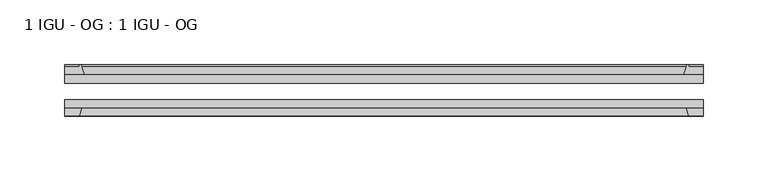
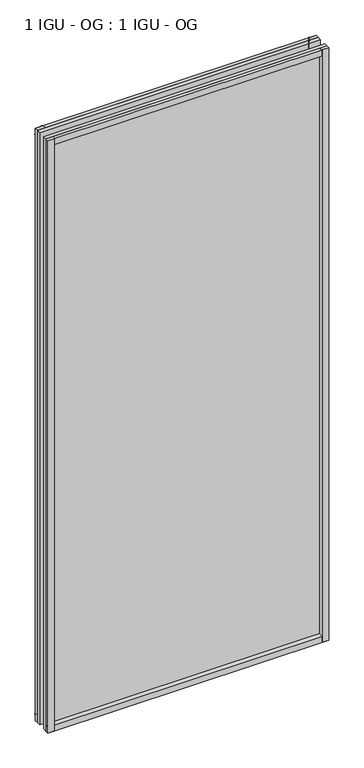
"""IFC4 building model written with IfcOpenShell, lengths in millimetres: plate geometry, 1 IGU - OG : 1 IGU - OG."""

import ifcopenshell
import ifcopenshell.guid

model = None  # the IFC model being written
_history = None  # IfcOwnerHistory: only IFC2X3 demands one
_inside = {}  # id of a spatial element -> (the spatial element, [elements in it])
_under = {}  # id of a project, library or spatial element -> (it, [spatial elements below it])
_declared = {}  # id of a project -> (the project, [libraries it declares])
_typed = {}  # id of a type object -> (the type object, [elements of that type])
_made_of = {}  # id of a material, layer set ... -> (it, [elements and type objects made of it])


def new_model(schema):
    """Start an empty IFC model of exactly this schema.

    Asked for "IFC4X3", IfcOpenShell would pick the latest addendum, in which some entities
    have other attributes; the version numbers below select the first issue.
    IFC2X3 requires an IfcOwnerHistory on every rooted entity: one is made here for all.
    """
    global model, _history
    if schema == "IFC4X3":
        model = ifcopenshell.file(schema_version=(4, 3, 0, 0))
    else:
        model = ifcopenshell.file(schema=schema)
    _inside.clear()
    _under.clear()
    _declared.clear()
    _typed.clear()
    _made_of.clear()
    _history = None
    if model.schema == "IFC2X3":
        org = make("IfcOrganization", Name="unknown")
        user = make(
            "IfcPersonAndOrganization",
            ThePerson=make("IfcPerson", FamilyName="unknown"),
            TheOrganization=org,
        )
        app = make(
            "IfcApplication",
            ApplicationDeveloper=org,
            Version="unknown",
            ApplicationFullName="unknown",
            ApplicationIdentifier="unknown",
        )
        _history = make(
            "IfcOwnerHistory",
            OwningUser=user,
            OwningApplication=app,
            ChangeAction="ADDED",
            CreationDate=0,
        )
    return model


def make(cls, **values):
    """One entity of the class cls with the attributes given. An attribute that is None is left unset."""
    return model.create_entity(
        cls, **{name: value for name, value in values.items() if value is not None}
    )


def rooted(cls, **values):
    """An entity with a GlobalId (a new one), such as an element, a storey or a relation."""
    return make(cls, GlobalId=ifcopenshell.guid.new(), OwnerHistory=_history, **values)


def si_unit(unit_type, name, prefix=None):
    """IfcSIUnit, for example si_unit("LENGTHUNIT", "METRE", prefix="MILLI")."""
    return make("IfcSIUnit", UnitType=unit_type, Prefix=prefix, Name=name)


def assignment(units):
    """IfcUnitAssignment: the units of a project."""
    return None if units is None else make("IfcUnitAssignment", Units=units)


def point(xyz):
    """IfcCartesianPoint."""
    return None if xyz is None else make("IfcCartesianPoint", Coordinates=xyz)


def direction(xyz):
    """IfcDirection."""
    return None if xyz is None else make("IfcDirection", DirectionRatios=xyz)


def frame(location, z_axis=None, x_axis=None):
    """IfcAxis2Placement3D, a coordinate frame: its origin and axes. An axis left out is left unset."""
    return make(
        "IfcAxis2Placement3D",
        Location=point(location),
        Axis=direction(z_axis),
        RefDirection=direction(x_axis),
    )


def frame_2d(location, x_axis=None):
    """IfcAxis2Placement2D, a coordinate frame in the plane: its origin and x axis."""
    return make(
        "IfcAxis2Placement2D", Location=point(location), RefDirection=direction(x_axis)
    )


def origin():
    """The frame at (0, 0, 0) with its axes left unset."""
    return frame((0.0, 0.0, 0.0))


def place(relative_to, where):
    """IfcLocalPlacement: puts the frame where relative to a parent placement (None: the world)."""
    return make(
        "IfcLocalPlacement", PlacementRelTo=relative_to, RelativePlacement=where
    )


def context(
    kind, dimensions, precision=None, world=None, true_north=None, identifier=None
):
    """IfcGeometricRepresentationContext, for example the 3D "Model" context."""
    return make(
        "IfcGeometricRepresentationContext",
        ContextIdentifier=identifier,
        ContextType=kind,
        CoordinateSpaceDimension=dimensions,
        Precision=precision,
        WorldCoordinateSystem=world,
        TrueNorth=true_north,
    )


def project(units=None, contexts=None):
    """IfcProject with its units and contexts."""
    return rooted(
        "IfcProject",
        Name="project",
        RepresentationContexts=contexts,
        UnitsInContext=assignment(units),
    )


def spatial(cls, under=None, at=None, **own):
    """A site, building, storey or space (cls), placed at a placement, below another one or the project."""
    s = rooted(cls, ObjectPlacement=at, **own)
    if under is not None:
        _under.setdefault(under.id(), (under, []))[1].append(s)
    return s


def polyline(points):
    """IfcPolyline through the points."""
    return make("IfcPolyline", Points=[point(p) for p in points])


def circle_curve(where, radius):
    """IfcCircle in the frame where."""
    return make("IfcCircle", Position=where, Radius=radius)


def trimmed(basis, trim1, trim2, sense, master):
    """IfcTrimmedCurve: the piece of a basis curve between two trims."""
    return make(
        "IfcTrimmedCurve",
        BasisCurve=basis,
        Trim1=trim1,
        Trim2=trim2,
        SenseAgreement=sense,
        MasterRepresentation=master,
    )


def segment(curve, same_sense, transition):
    """IfcCompositeCurveSegment."""
    return make(
        "IfcCompositeCurveSegment",
        Transition=transition,
        SameSense=same_sense,
        ParentCurve=curve,
    )


def composite_curve(segments, self_intersect=None):
    """IfcCompositeCurve: segments joined end to end."""
    return make("IfcCompositeCurve", Segments=segments, SelfIntersect=self_intersect)


def outline(outer, holes=None, kind="AREA"):
    """IfcArbitraryClosedProfileDef: a profile drawn as a closed curve; with holes, ...WithVoids."""
    if holes is None:
        return make("IfcArbitraryClosedProfileDef", ProfileType=kind, OuterCurve=outer)
    return make(
        "IfcArbitraryProfileDefWithVoids",
        ProfileType=kind,
        OuterCurve=outer,
        InnerCurves=holes,
    )


def extrude(swept, where, along, depth):
    """IfcExtrudedAreaSolid: the profile swept, set in the frame where, extruded along a direction by depth."""
    return make(
        "IfcExtrudedAreaSolid",
        SweptArea=swept,
        Position=where,
        ExtrudedDirection=direction(along),
        Depth=depth,
    )


def shape(context_of_items, identifier, shape_type, items):
    """IfcShapeRepresentation: the items that make up one representation, for example the "Body"."""
    return make(
        "IfcShapeRepresentation",
        ContextOfItems=context_of_items,
        RepresentationIdentifier=identifier,
        RepresentationType=shape_type,
        Items=items,
    )


def source(mapping_origin, context_of_items, identifier, shape_type, items):
    """IfcRepresentationMap: a shape defined once, which mapped items show again and again."""
    return make(
        "IfcRepresentationMap",
        MappingOrigin=mapping_origin,
        MappedRepresentation=shape(context_of_items, identifier, shape_type, items),
    )


def transform(
    local_origin,
    x_axis=None,
    y_axis=None,
    z_axis=None,
    scale=None,
    scale2=None,
    scale3=None,
    uniform=True,
):
    """IfcCartesianTransformationOperator3D, or its non-uniform kind. x_axis, y_axis, z_axis: its Axis1, 2, 3."""
    if uniform:
        return make(
            "IfcCartesianTransformationOperator3D",
            Axis1=direction(x_axis),
            Axis2=direction(y_axis),
            LocalOrigin=point(local_origin),
            Scale=scale,
            Axis3=direction(z_axis),
        )
    return make(
        "IfcCartesianTransformationOperator3DnonUniform",
        Axis1=direction(x_axis),
        Axis2=direction(y_axis),
        LocalOrigin=point(local_origin),
        Scale=scale,
        Axis3=direction(z_axis),
        Scale2=scale2,
        Scale3=scale3,
    )


def mapped(mapping_source, mapping_target):
    """IfcMappedItem: shows the shape of a source again, moved by a transform."""
    return make(
        "IfcMappedItem", MappingSource=mapping_source, MappingTarget=mapping_target
    )


def made_of(thing, what):
    """Note that an element or type object is made of a material, layer set ...; save() writes the relation."""
    if what is not None:
        _made_of.setdefault(what.id(), (what, []))[1].append(thing)
    return thing


def element(
    cls,
    number,
    at=None,
    inside=None,
    cuts=None,
    type_object=None,
    material=None,
    context=None,
    identifier="Body",
    shape_type=None,
    held_by="IfcProductDefinitionShape",
    body=None,
    shapes=None,
    **own,
):
    """One element of the class cls, such as IfcWall. Its Tag is "e" and its number.

    at: its placement. inside: the storey or other place that contains it. cuts: it is an
    opening in that element (IfcRelVoidsElement). A single representation is given by context,
    identifier, shape_type and body (its items); several are given by shapes. held_by: the class
    of the entity that holds the representations. save() writes the other relations.
    """
    e = rooted(cls, Tag="e%d" % number, ObjectPlacement=at, **own)
    if body is not None:
        shapes = [shape(context, identifier, shape_type, body)]
    if shapes is not None:
        e.Representation = make(held_by, Representations=shapes)
    if inside is not None:
        _inside.setdefault(inside.id(), (inside, []))[1].append(e)
    if cuts is not None:
        rooted(
            "IfcRelVoidsElement", RelatingBuildingElement=cuts, RelatedOpeningElement=e
        )
    if type_object is not None:
        _typed.setdefault(type_object.id(), (type_object, []))[1].append(e)
    return made_of(e, material)


def aggregate(whole, parts):
    """IfcRelAggregates: a whole, such as a stair, and the parts it consists of."""
    return rooted("IfcRelAggregates", RelatingObject=whole, RelatedObjects=parts)


def save(model, path):
    """Write the relations noted so far, then the file.

    IfcRelAggregates (storeys below a building ...), IfcRelContainedInSpatialStructure (elements
    in a storey), IfcRelDefinesByType, IfcRelAssociatesMaterial and IfcRelDeclares: one each for
    every whole, place, type object, material and project.
    """
    for whole, parts in _under.values():
        aggregate(whole, parts)
    for where, things in _inside.values():
        rooted(
            "IfcRelContainedInSpatialStructure",
            RelatedElements=things,
            RelatingStructure=where,
        )
    for kind, things in _typed.values():
        rooted("IfcRelDefinesByType", RelatedObjects=things, RelatingType=kind)
    for what, things in _made_of.values():
        rooted("IfcRelAssociatesMaterial", RelatedObjects=things, RelatingMaterial=what)
    for by, libraries in _declared.values():
        rooted("IfcRelDeclares", RelatingContext=by, RelatedDefinitions=libraries)
    model.write(path)


def plate_1_igu_og_1_igu_og_287f5471(model_context):
    return source(origin(), model_context, "Body", "SweptSolid", [
        extrude(outline(polyline([(247.0275142, -31.75), (247.0275142, -38.1), (-247.0275142, -38.1), (-247.0275142, -31.75), (247.0275142, -31.75)])), frame((0.0, 0.0, -11.1125), z_axis=(0.0, 0.0, 1.0), x_axis=(1.0, 0.0, 0.0)), (0.0, 0.0, 1.0), 1101.725),
        extrude(outline(polyline([(-247.0275142, -12.7), (247.0275142, -12.7), (247.0275142, -19.05), (-247.0275142, -19.05), (-247.0275142, -12.7)])), frame((0.0, 0.0, -11.1125), z_axis=(0.0, 0.0, 1.0), x_axis=(1.0, 0.0, 0.0)), (0.0, 0.0, 1.0), 1101.725),
        extrude(outline(composite_curve([segment(polyline([(-231.6917233, -12.7), (-247.0275142, -12.7), (-247.0275142, -6.35), (-235.9150142, -6.35), (-235.9150142, -4.7751661), (-234.9856002, -4.7751661)]), True, "CONTINUOUS"), segment(trimmed(circle_curve(frame_2d((-234.9856002, -5.5371661)), 0.762), [point((-234.9856002, -4.7751661))], [point((-234.2433903, -5.364631))], False, "CARTESIAN"), True, "CONTINUOUS"), segment(trimmed(circle_curve(frame_2d((-198.614172, 2.9177851)), 36.5792237), [point((-234.2433903, -5.364631))], [point((-231.6917233, -12.7))], True, "CARTESIAN"), True, "CONTINUOUS")], self_intersect=False)), frame((0.0, 0.0, -11.1125), z_axis=(0.0, 0.0, 1.0), x_axis=(1.0, 0.0, 0.0)), (0.0, 0.0, 1.0), 1101.725),
        extrude(outline(polyline([(-247.0275142, -38.1), (-233.8097371, -38.1), (-235.9150142, -44.45), (-247.0275142, -44.45), (-247.0275142, -38.1)])), frame((0.0, 0.0, -11.1125), z_axis=(0.0, 0.0, 1.0), x_axis=(1.0, 0.0, 0.0)), (0.0, 0.0, 1.0), 1101.725),
        extrude(outline(composite_curve([segment(trimmed(circle_curve(frame_2d((234.9856002, -5.5371661)), 0.762), [point((234.2433903, -5.364631))], [point((234.9856002, -4.7751661))], False, "CARTESIAN"), True, "CONTINUOUS"), segment(polyline([(234.9856002, -4.7751661), (235.9150142, -4.7751661), (235.9150142, -6.35), (247.0275142, -6.35), (247.0275142, -12.7), (231.6917233, -12.7)]), True, "CONTINUOUS"), segment(trimmed(circle_curve(frame_2d((198.614172, 2.9177851)), 36.5792237), [point((231.6917233, -12.7))], [point((234.2433903, -5.364631))], True, "CARTESIAN"), True, "CONTINUOUS")], self_intersect=False)), frame((0.0, 0.0, -11.1125), z_axis=(0.0, 0.0, 1.0), x_axis=(1.0, 0.0, 0.0)), (0.0, 0.0, 1.0), 1101.725),
        extrude(outline(polyline([(233.8097371, -38.1), (247.0275142, -38.1), (247.0275142, -44.45), (235.9150142, -44.45), (233.8097371, -38.1)])), frame((0.0, 0.0, -11.1125), z_axis=(0.0, 0.0, 1.0), x_axis=(1.0, 0.0, 0.0)), (0.0, 0.0, 1.0), 1101.725),
        extrude(outline(composite_curve([segment(polyline([(-12.7, -11.1125), (-12.7, 4.2232909)]), True, "CONTINUOUS"), segment(trimmed(circle_curve(frame_2d((2.9177851, 37.3008421)), 36.5792237), [point((-12.7, 4.2232909))], [point((-5.364631, 1.6716239))], True, "CARTESIAN"), True, "CONTINUOUS"), segment(trimmed(circle_curve(frame_2d((-5.5371661, 0.929414)), 0.762), [point((-5.364631, 1.6716239))], [point((-4.7751661, 0.929414))], False, "CARTESIAN"), True, "CONTINUOUS"), segment(polyline([(-4.7751661, 0.929414), (-4.7751661, 0.0), (-6.35, 0.0), (-6.35, -11.1125), (-12.7, -11.1125)]), True, "CONTINUOUS")], self_intersect=False)), frame((-247.0275142, 0.0, 0.0), z_axis=(1.0, 0.0, 0.0), x_axis=(0.0, 1.0, 0.0)), (0.0, 0.0, 1.0), 494.0550284),
        extrude(outline(polyline([(-38.1, 2.1052771), (-38.1, -11.1125), (-44.45, -11.1125), (-44.45, 0.0), (-38.1, 2.1052771)])), frame((-247.0275142, 0.0, 0.0), z_axis=(1.0, 0.0, 0.0), x_axis=(0.0, 1.0, 0.0)), (0.0, 0.0, 1.0), 494.0550284),
        extrude(outline(composite_curve([segment(trimmed(circle_curve(frame_2d((2.9177851, 1042.1991578)), 36.5792237), [point((-5.364631, 1077.8283761))], [point((-12.7, 1075.2767091))], True, "CARTESIAN"), True, "CONTINUOUS"), segment(polyline([(-12.7, 1075.2767091), (-12.7, 1090.6125), (-6.35, 1090.6125), (-6.35, 1079.5), (-4.7751661, 1079.5), (-4.7751661, 1078.570586)]), True, "CONTINUOUS"), segment(trimmed(circle_curve(frame_2d((-5.5371661, 1078.570586)), 0.762), [point((-4.7751661, 1078.570586))], [point((-5.364631, 1077.8283761))], False, "CARTESIAN"), True, "CONTINUOUS")], self_intersect=False)), frame((-247.0275142, 0.0, 0.0), z_axis=(1.0, 0.0, 0.0), x_axis=(0.0, 1.0, 0.0)), (0.0, 0.0, 1.0), 494.0550284),
        extrude(outline(polyline([(-38.1, 1090.6125), (-38.1, 1077.3947229), (-44.45, 1079.5), (-44.45, 1090.6125), (-38.1, 1090.6125)])), frame((-247.0275142, 0.0, 0.0), z_axis=(1.0, 0.0, 0.0), x_axis=(0.0, 1.0, 0.0)), (0.0, 0.0, 1.0), 494.0550284),
    ])


if __name__ == "__main__":
    model = new_model("IFC4")
    model_context = context("Model", 3, world=origin())
    ifc_project = project(units=[si_unit("LENGTHUNIT", "METRE", prefix="MILLI")], contexts=[model_context])
    site = spatial("IfcSite", under=ifc_project)
    building = spatial("IfcBuilding", under=site)
    placement = place(None, origin())
    plate_1_igu_og_1_igu_og_shape = plate_1_igu_og_1_igu_og_287f5471(model_context)
    element("IfcPlate", 1, ObjectType="1 IGU - OG : 1 IGU - OG", at=placement, inside=building, context=model_context, shape_type="MappedRepresentation", body=[
        mapped(plate_1_igu_og_1_igu_og_shape, transform((0.0, 0.0, 0.0), x_axis=(1.0, 0.0, 0.0), y_axis=(0.0, 1.0, 0.0), z_axis=(0.0, 0.0, 1.0))),
    ])
    save(model, "model.ifc")
